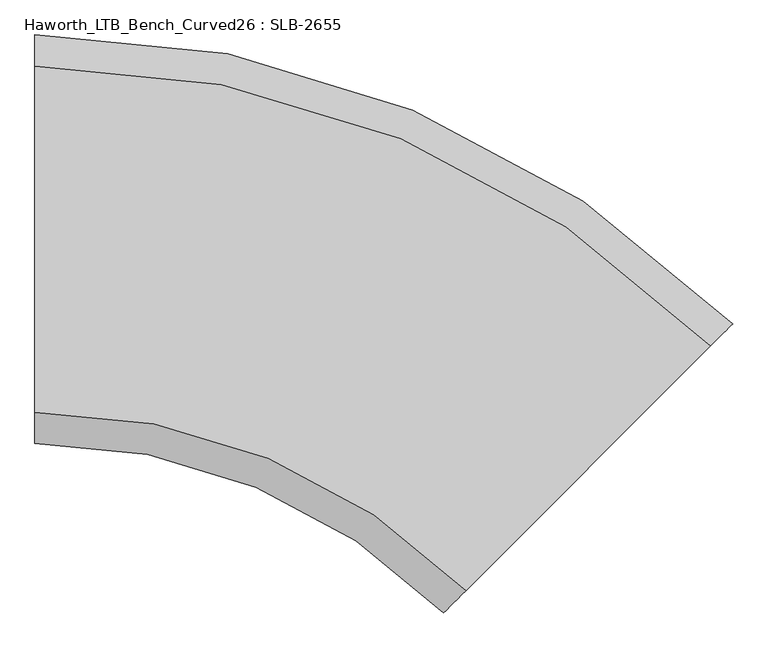
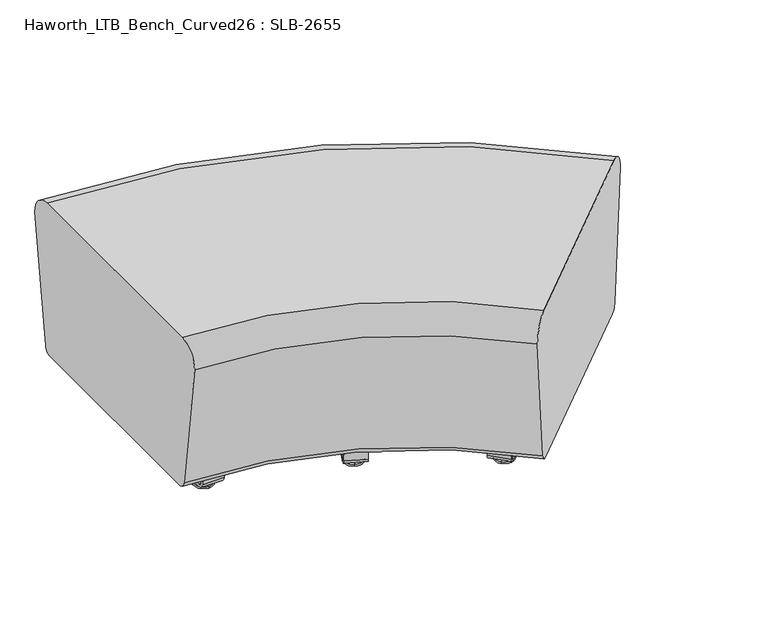
"""IFC4 building model written with IfcOpenShell, lengths in millimetres: furniture geometry, Haworth_LTB_Bench_Curved26 : SLB-2655."""

from ifc_helpers import new_model, si_unit, point, frame, frame_2d, origin, place, context, project, spatial, polyline, circle_curve, ellipse_curve, trimmed, segment, composite_curve, outline, extrude, source, transform, mapped, element, save
from ifc_brep_helpers import plane_surface, cylinder_surface, revolved_surface, advanced_brep


def haworth_ltb_bench_curved26_slb_2655_babb3652(model_context):
    return source(origin(), model_context, "Body", "SolidModel", [
        advanced_brep(
        [(389.9431514, -298.4142763, 7.8133431), (386.2980917, -307.2142289, 7.8133431), (385.0604846, -310.2020767, 7.8133431), (391.1807584, -295.4264285, 7.8133431), (379.7249767, -323.0831321, 4.0775), (396.5162663, -282.5453731, 4.0775), (379.8820879, -322.7038322, 0.0), (396.3591551, -282.924673, 0.0), (388.1206215, -302.8142526, 0.0), (388.1206215, -302.8142526, 50.0000004), (386.2980917, -307.2142289, 50.0000004), (389.9431514, -298.4142763, 50.0000004)],
        [
            (0, 1, circle_curve(frame((388.1206215, -302.8142526, 7.8133431), z_axis=(0.0, 0.0, -1.0), x_axis=(-0.38268343236511054, -0.9238795325112782, 0.0)), 4.7625)),
            (1, 2),
            (2, 3, circle_curve(frame((388.1206215, -302.8142526, 7.8133431), z_axis=(0.0, 0.0, 1.0), x_axis=(-0.38268343236511054, -0.9238795325112782, 0.0)), 7.9965232)),
            (3, 0),
            (1, 0, circle_curve(frame((388.1206215, -302.8142526, 7.8133431), z_axis=(0.0, 0.0, -1.0), x_axis=(-0.38268343236511054, -0.9238795325112782, 0.0)), 4.7625)),
            (3, 2, circle_curve(frame((388.1206215, -302.8142526, 7.8133431), z_axis=(0.0, 0.0, 1.0), x_axis=(-0.38268343236511054, -0.9238795325112782, 0.0)), 7.9965232)),
            (2, 4),
            (4, 5, circle_curve(frame((388.1206215, -302.8142526, 4.0775), z_axis=(0.0, 0.0, 1.0), x_axis=(-0.38268343236511054, -0.9238795325112782, 0.0)), 21.9388771)),
            (5, 3),
            (5, 4, circle_curve(frame((388.1206215, -302.8142526, 4.0775), z_axis=(0.0, 0.0, 1.0), x_axis=(-0.38268343236511054, -0.9238795325112782, 0.0)), 21.9388771)),
            (4, 6, circle_curve(frame((379.9306014, -322.5867102, 2.0721829), z_axis=(0.9238795325112782, -0.38268343236511054, 0.0), x_axis=(0.38268343236511054, 0.9238795325112782, 0.0)), 2.0760571)),
            (6, 7, circle_curve(frame((388.1206215, -302.8142526, 0.0), z_axis=(0.0, 0.0, 1.0), x_axis=(-0.38268343236511054, -0.9238795325112782, 0.0)), 21.5283258)),
            (7, 5, circle_curve(frame((396.3106416, -283.041795, 2.0721829), z_axis=(0.923879532511277, -0.38268343236511354, 0.0), x_axis=(-0.38268343236511354, -0.923879532511277, 0.0)), 2.0760571)),
            (7, 6, circle_curve(frame((388.1206215, -302.8142526, 0.0), z_axis=(0.0, 0.0, 1.0), x_axis=(-0.38268343236511054, -0.9238795325112782, 0.0)), 21.5283258)),
            (6, 8),
            (8, 7),
            (9, 10),
            (10, 11, circle_curve(frame((388.1206215, -302.8142526, 50.0000004), z_axis=(0.0, 0.0, 1.0), x_axis=(-0.38268343236511054, -0.9238795325112782, 0.0)), 4.7625)),
            (11, 9),
            (11, 10, circle_curve(frame((388.1206215, -302.8142526, 50.0000004), z_axis=(0.0, 0.0, 1.0), x_axis=(-0.38268343236511054, -0.9238795325112782, 0.0)), 4.7625)),
            (10, 1),
            (0, 11),
        ],
        [
            plane_surface(frame((388.1206215, -302.8142526, 7.8133431), z_axis=(0.0, 0.0, 1.0), x_axis=(-0.38268343236511054, -0.9238795325112782, 0.0))),
            revolved_surface(polyline([(379.7249767, -323.0831321, 4.0775), (385.0604846, -310.2020767, 7.8133431)]), (388.1206215, -302.8142526, 0.0), (0.0, 0.0, 1.0)),
            revolved_surface(trimmed(ellipse_curve(frame((379.9306014, -322.5867102, 2.0721829), z_axis=(-0.9238795325112782, 0.38268343236511054, 0.0), x_axis=(0.38268343236511054, 0.9238795325112782, 0.0)), 2.0760571, 2.0760571), [point((379.8820879, -322.7038322, 0.0))], [point((379.7249767, -323.0831321, 4.0775))], True, "CARTESIAN"), (388.1206215, -302.8142526, 0.0), (0.0, 0.0, 1.0)),
            plane_surface(frame((388.1206215, -302.8142526, 0.0), z_axis=(0.0, 0.0, -1.0), x_axis=(-0.38268343236511054, -0.9238795325112782, 0.0))),
            plane_surface(frame((388.1206215, -302.8142526, 50.0000004), z_axis=(0.0, 0.0, 1.0), x_axis=(-0.38268343236511054, -0.9238795325112782, 0.0))),
            cylinder_surface(frame((388.1206215, -302.8142526, 0.0), z_axis=(0.0, 0.0, 1.0), x_axis=(-0.38268343236511054, -0.9238795325112782, 0.0)), 4.7625),
        ],
        [
            (0, [[1, 2, 3, 4]]),
            (0, [[5, -4, 6, -2]]),
            (1, [[-3, 7, 8, 9]]),
            (1, [[-6, -9, 10, -7]]),
            (2, [[-8, 11, 12, 13]]),
            (2, [[-10, -13, 14, -11]]),
            (3, [[-12, 15, 16]]),
            (3, [[-14, -16, -15]]),
            (4, [[17, 18, 19]]),
            (4, [[-19, 20, -17]]),
            (5, [[-18, 21, -1, 22]]),
            (5, [[-20, -22, -5, -21]]),
        ],
    ),
        advanced_brep(
        [(552.705699, 94.5292735, 7.8133431), (558.8259728, 109.3049217, 7.8133431), (557.5883658, 106.3170739, 7.8133431), (553.9433061, 97.5171213, 7.8133431), (547.3701911, 81.6482181, 4.0775), (564.1614807, 122.1859771, 4.0775), (547.5273023, 82.027518, 0.0), (564.0043695, 121.8066772, 0.0), (555.7658359, 101.9170976, 0.0), (553.9433061, 97.5171213, 50.0000004), (557.5883658, 106.3170739, 50.0000004), (555.7658359, 101.9170976, 50.0000004)],
        [
            (0, 1, circle_curve(frame((555.7658359, 101.9170976, 7.8133431), z_axis=(0.0, 0.0, 1.0), x_axis=(0.3826834323651135, 0.923879532511277, 0.0)), 7.9965232)),
            (1, 2),
            (2, 3, circle_curve(frame((555.7658359, 101.9170976, 7.8133431), z_axis=(0.0, 0.0, -1.0), x_axis=(0.3826834323651135, 0.923879532511277, 0.0)), 4.7625)),
            (3, 0),
            (1, 0, circle_curve(frame((555.7658359, 101.9170976, 7.8133431), z_axis=(0.0, 0.0, 1.0), x_axis=(0.3826834323651135, 0.923879532511277, 0.0)), 7.9965232)),
            (3, 2, circle_curve(frame((555.7658359, 101.9170976, 7.8133431), z_axis=(0.0, 0.0, -1.0), x_axis=(0.3826834323651135, 0.923879532511277, 0.0)), 4.7625)),
            (4, 5, circle_curve(frame((555.7658359, 101.9170976, 4.0775), z_axis=(0.0, 0.0, 1.0), x_axis=(0.3826834323651135, 0.923879532511277, 0.0)), 21.9388771)),
            (5, 1),
            (0, 4),
            (5, 4, circle_curve(frame((555.7658359, 101.9170976, 4.0775), z_axis=(0.0, 0.0, 1.0), x_axis=(0.3826834323651135, 0.923879532511277, 0.0)), 21.9388771)),
            (6, 7, circle_curve(frame((555.7658359, 101.9170976, 0.0), z_axis=(0.0, 0.0, 1.0), x_axis=(0.3826834323651135, 0.923879532511277, 0.0)), 21.5283258)),
            (7, 5, circle_curve(frame((563.955856, 121.6895552, 2.0721829), z_axis=(0.923879532511277, -0.3826834323651135, 0.0), x_axis=(-0.3826834323651135, -0.923879532511277, 0.0)), 2.0760571)),
            (4, 6, circle_curve(frame((547.5758158, 82.14464, 2.0721829), z_axis=(0.9238795325112782, -0.3826834323651105, 0.0), x_axis=(0.3826834323651105, 0.9238795325112782, 0.0)), 2.0760571)),
            (7, 6, circle_curve(frame((555.7658359, 101.9170976, 0.0), z_axis=(0.0, 0.0, 1.0), x_axis=(0.3826834323651135, 0.923879532511277, 0.0)), 21.5283258)),
            (8, 7),
            (6, 8),
            (9, 10, circle_curve(frame((555.7658359, 101.9170976, 50.0000004), z_axis=(0.0, 0.0, 1.0), x_axis=(0.3826834323651135, 0.923879532511277, 0.0)), 4.7625)),
            (10, 11),
            (11, 9),
            (10, 9, circle_curve(frame((555.7658359, 101.9170976, 50.0000004), z_axis=(0.0, 0.0, 1.0), x_axis=(0.3826834323651135, 0.923879532511277, 0.0)), 4.7625)),
            (2, 10),
            (9, 3),
        ],
        [
            plane_surface(frame((555.7658359, 101.9170976, 7.8133431), z_axis=(0.0, 0.0, 1.0), x_axis=(0.3826834323651135, 0.923879532511277, 0.0))),
            revolved_surface(polyline([(558.8259728, 109.3049217, 7.8133431), (564.1614807, 122.1859771, 4.0775)]), (555.7658359, 101.9170976, 0.0), (0.0, 0.0, -1.0)),
            revolved_surface(trimmed(ellipse_curve(frame((563.955856, 121.6895552, 2.0721829), z_axis=(-0.923879532511277, 0.3826834323651135, 0.0), x_axis=(-0.3826834323651135, -0.923879532511277, 0.0)), 2.0760571, 2.0760571), [point((564.1614807, 122.1859771, 4.0775))], [point((564.0043695, 121.8066772, 0.0))], True, "CARTESIAN"), (555.7658359, 101.9170976, 0.0), (0.0, 0.0, -1.0)),
            plane_surface(frame((555.7658359, 101.9170976, 0.0), z_axis=(0.0, 0.0, -1.0), x_axis=(0.3826834323651135, 0.923879532511277, 0.0))),
            plane_surface(frame((555.7658359, 101.9170976, 50.0000004), z_axis=(0.0, 0.0, 1.0), x_axis=(0.3826834323651135, 0.923879532511277, 0.0))),
            cylinder_surface(frame((555.7658359, 101.9170976, 0.0), z_axis=(0.0, 0.0, -1.0), x_axis=(0.3826834323651135, 0.923879532511277, 0.0)), 4.7625),
        ],
        [
            (0, [[1, 2, 3, 4]]),
            (0, [[5, -4, 6, -2]]),
            (1, [[7, 8, -1, 9]]),
            (1, [[10, -9, -5, -8]]),
            (2, [[11, 12, -7, 13]]),
            (2, [[14, -13, -10, -12]]),
            (3, [[15, -11, 16]]),
            (3, [[-16, -14, -15]]),
            (4, [[17, 18, 19]]),
            (4, [[20, -19, -18]]),
            (5, [[-3, 21, -17, 22]]),
            (5, [[-6, -22, -20, -21]]),
        ],
    ),
        extrude(outline(composite_curve([segment(polyline([(0.0, 0.0), (-1.1e-06, -5.6900075), (-35.4274256, -5.6900007)]), True, "CONTINUOUS"), segment(trimmed(circle_curve(frame_2d((-35.4274274, -15.0000027)), 9.310002), [point((-35.4274256, -5.6900007))], [point((-44.6468251, -13.7043009))], True, "CARTESIAN"), True, "CONTINUOUS"), segment(polyline([(-44.6468251, -13.7043009), (-112.8503597, -498.9976979)]), True, "CONTINUOUS"), segment(trimmed(circle_curve(frame_2d((-103.6309619, -500.2933996)), 9.310002), [point((-112.8503597, -498.9976979))], [point((-106.1971444, -509.2427485))], True, "CARTESIAN"), True, "CONTINUOUS"), segment(polyline([(-106.1971444, -509.2427485), (-72.1421162, -519.0078628), (-73.7104936, -524.4774494), (-107.7655241, -514.7123273)]), True, "CONTINUOUS"), segment(trimmed(circle_curve(frame_2d((-103.6309637, -500.2934007)), 15.000001), [point((-107.7655241, -514.7123273))], [point((-118.4849857, -498.2058042))], False, "CARTESIAN"), True, "CONTINUOUS"), segment(polyline([(-118.4849857, -498.2058042), (-50.2814508, -12.9124045)]), True, "CONTINUOUS"), segment(trimmed(circle_curve(frame_2d((-35.4274288, -15.0000011)), 15.000001), [point((-50.2814508, -12.9124045))], [point((-35.4274288, 0.0))], False, "CARTESIAN"), True, "CONTINUOUS"), segment(polyline([(-35.4274288, 0.0), (0.0, 0.0)]), True, "CONTINUOUS")], self_intersect=False)), frame((596.7504243, 134.4892481, 62.9950557), z_axis=(-0.9238795325112771, 0.38268343236511354, 0.0), x_axis=(0.053259236495432585, 0.12857917106890013, 0.9902680700169819)), (0.0, 0.0, 1.0), 50.8),
        advanced_brep(
        [(662.5433137, -445.7133567, 7.8133431), (655.8081216, -452.4485488, 7.8133431), (653.5213219, -454.7353485, 7.8133431), (664.8301134, -443.426557, 7.8133431), (643.6625889, -464.5940815, 4.0775), (674.6888464, -433.567824, 4.0775), (643.9528925, -464.3037779, 0.0), (674.3985428, -433.8581276, 0.0), (659.1757176, -449.0809528, 0.0), (659.1757176, -449.0809528, 50.0000004), (655.8081216, -452.4485488, 50.0000004), (662.5433137, -445.7133567, 50.0000004)],
        [
            (0, 1, circle_curve(frame((659.1757176, -449.0809528, 7.8133431), z_axis=(0.0, 0.0, -1.0), x_axis=(-0.7071067811865458, -0.7071067811865493, 0.0)), 4.7625)),
            (1, 2),
            (2, 3, circle_curve(frame((659.1757176, -449.0809528, 7.8133431), z_axis=(0.0, 0.0, 1.0), x_axis=(-0.7071067811865458, -0.7071067811865493, 0.0)), 7.9965232)),
            (3, 0),
            (1, 0, circle_curve(frame((659.1757176, -449.0809528, 7.8133431), z_axis=(0.0, 0.0, -1.0), x_axis=(-0.7071067811865458, -0.7071067811865493, 0.0)), 4.7625)),
            (3, 2, circle_curve(frame((659.1757176, -449.0809528, 7.8133431), z_axis=(0.0, 0.0, 1.0), x_axis=(-0.7071067811865458, -0.7071067811865493, 0.0)), 7.9965232)),
            (2, 4),
            (4, 5, circle_curve(frame((659.1757176, -449.0809528, 4.0775), z_axis=(0.0, 0.0, 1.0), x_axis=(-0.7071067811865458, -0.7071067811865493, 0.0)), 21.9388771)),
            (5, 3),
            (5, 4, circle_curve(frame((659.1757176, -449.0809528, 4.0775), z_axis=(0.0, 0.0, 1.0), x_axis=(-0.7071067811865458, -0.7071067811865493, 0.0)), 21.9388771)),
            (4, 6, circle_curve(frame((644.0425338, -464.2141367, 2.0721829), z_axis=(0.7071067811865493, -0.7071067811865458, 0.0), x_axis=(0.7071067811865458, 0.7071067811865493, 0.0)), 2.0760571)),
            (6, 7, circle_curve(frame((659.1757176, -449.0809528, 0.0), z_axis=(0.0, 0.0, 1.0), x_axis=(-0.7071067811865458, -0.7071067811865493, 0.0)), 21.5283258)),
            (7, 5, circle_curve(frame((674.3089015, -433.9477689, 2.0721829), z_axis=(0.707106781186547, -0.7071067811865481, 0.0), x_axis=(-0.7071067811865481, -0.707106781186547, 0.0)), 2.0760571)),
            (7, 6, circle_curve(frame((659.1757176, -449.0809528, 0.0), z_axis=(0.0, 0.0, 1.0), x_axis=(-0.7071067811865458, -0.7071067811865493, 0.0)), 21.5283258)),
            (6, 8),
            (8, 7),
            (9, 10),
            (10, 11, circle_curve(frame((659.1757176, -449.0809528, 50.0000004), z_axis=(0.0, 0.0, 1.0), x_axis=(-0.7071067811865458, -0.7071067811865493, 0.0)), 4.7625)),
            (11, 9),
            (11, 10, circle_curve(frame((659.1757176, -449.0809528, 50.0000004), z_axis=(0.0, 0.0, 1.0), x_axis=(-0.7071067811865458, -0.7071067811865493, 0.0)), 4.7625)),
            (10, 1),
            (0, 11),
        ],
        [
            plane_surface(frame((659.1757176, -449.0809528, 7.8133431), z_axis=(0.0, 0.0, 1.0), x_axis=(-0.7071067811865458, -0.7071067811865493, 0.0))),
            revolved_surface(polyline([(643.6625889, -464.5940815, 4.0775), (653.5213219, -454.7353485, 7.8133431)]), (659.1757176, -449.0809528, 0.0), (0.0, 0.0, 1.0)),
            revolved_surface(trimmed(ellipse_curve(frame((644.0425338, -464.2141367, 2.0721829), z_axis=(-0.7071067811865493, 0.7071067811865458, 0.0), x_axis=(0.7071067811865458, 0.7071067811865493, 0.0)), 2.0760571, 2.0760571), [point((643.9528925, -464.3037779, 0.0))], [point((643.6625889, -464.5940815, 4.0775))], True, "CARTESIAN"), (659.1757176, -449.0809528, 0.0), (0.0, 0.0, 1.0)),
            plane_surface(frame((659.1757176, -449.0809528, 0.0), z_axis=(0.0, 0.0, -1.0), x_axis=(-0.7071067811865458, -0.7071067811865493, 0.0))),
            plane_surface(frame((659.1757176, -449.0809528, 50.0000004), z_axis=(0.0, 0.0, 1.0), x_axis=(-0.7071067811865458, -0.7071067811865493, 0.0))),
            cylinder_surface(frame((659.1757176, -449.0809528, 0.0), z_axis=(0.0, 0.0, 1.0), x_axis=(-0.7071067811865458, -0.7071067811865493, 0.0)), 4.7625),
        ],
        [
            (0, [[1, 2, 3, 4]]),
            (0, [[5, -4, 6, -2]]),
            (1, [[-3, 7, 8, 9]]),
            (1, [[-6, -9, 10, -7]]),
            (2, [[-8, 11, 12, 13]]),
            (2, [[-10, -13, 14, -11]]),
            (3, [[-12, 15, 16]]),
            (3, [[-14, -16, -15]]),
            (4, [[17, 18, 19]]),
            (4, [[-19, 20, -17]]),
            (5, [[-18, 21, -1, 22]]),
            (5, [[-20, -22, -5, -21]]),
        ],
    ),
        advanced_brep(
        [(963.2892865, -144.9673839, 7.8133431), (974.598078, -133.6585924, 7.8133431), (972.3112783, -135.9453921, 7.8133431), (965.5760862, -142.6805842, 7.8133431), (953.4305535, -154.8261169, 4.0775), (984.456811, -123.7998594, 4.0775), (953.7208571, -154.5358134, 0.0), (984.1665074, -124.090163, 0.0), (968.9436822, -139.3129882, 0.0), (965.5760862, -142.6805842, 50.0000004), (972.3112783, -135.9453921, 50.0000004), (968.9436822, -139.3129882, 50.0000004)],
        [
            (0, 1, circle_curve(frame((968.9436822, -139.3129882, 7.8133431), z_axis=(0.0, 0.0, 1.0), x_axis=(0.707106781186548, 0.7071067811865471, 0.0)), 7.9965232)),
            (1, 2),
            (2, 3, circle_curve(frame((968.9436822, -139.3129882, 7.8133431), z_axis=(0.0, 0.0, -1.0), x_axis=(0.707106781186548, 0.7071067811865471, 0.0)), 4.7625)),
            (3, 0),
            (1, 0, circle_curve(frame((968.9436822, -139.3129882, 7.8133431), z_axis=(0.0, 0.0, 1.0), x_axis=(0.707106781186548, 0.7071067811865471, 0.0)), 7.9965232)),
            (3, 2, circle_curve(frame((968.9436822, -139.3129882, 7.8133431), z_axis=(0.0, 0.0, -1.0), x_axis=(0.707106781186548, 0.7071067811865471, 0.0)), 4.7625)),
            (4, 5, circle_curve(frame((968.9436822, -139.3129882, 4.0775), z_axis=(0.0, 0.0, 1.0), x_axis=(0.707106781186548, 0.7071067811865471, 0.0)), 21.9388771)),
            (5, 1),
            (0, 4),
            (5, 4, circle_curve(frame((968.9436822, -139.3129882, 4.0775), z_axis=(0.0, 0.0, 1.0), x_axis=(0.707106781186548, 0.7071067811865471, 0.0)), 21.9388771)),
            (6, 7, circle_curve(frame((968.9436822, -139.3129882, 0.0), z_axis=(0.0, 0.0, 1.0), x_axis=(0.707106781186548, 0.7071067811865471, 0.0)), 21.5283258)),
            (7, 5, circle_curve(frame((984.0768661, -124.1798043, 2.0721829), z_axis=(0.7071067811865471, -0.707106781186548, 0.0), x_axis=(-0.707106781186548, -0.7071067811865471, 0.0)), 2.0760571)),
            (4, 6, circle_curve(frame((953.8104984, -154.4461721, 2.0721829), z_axis=(0.7071067811865495, -0.7071067811865457, 0.0), x_axis=(0.7071067811865457, 0.7071067811865495, 0.0)), 2.0760571)),
            (7, 6, circle_curve(frame((968.9436822, -139.3129882, 0.0), z_axis=(0.0, 0.0, 1.0), x_axis=(0.707106781186548, 0.7071067811865471, 0.0)), 21.5283258)),
            (8, 7),
            (6, 8),
            (9, 10, circle_curve(frame((968.9436822, -139.3129882, 50.0000004), z_axis=(0.0, 0.0, 1.0), x_axis=(0.707106781186548, 0.7071067811865471, 0.0)), 4.7625)),
            (10, 11),
            (11, 9),
            (10, 9, circle_curve(frame((968.9436822, -139.3129882, 50.0000004), z_axis=(0.0, 0.0, 1.0), x_axis=(0.707106781186548, 0.7071067811865471, 0.0)), 4.7625)),
            (2, 10),
            (9, 3),
        ],
        [
            plane_surface(frame((968.9436822, -139.3129882, 7.8133431), z_axis=(0.0, 0.0, 1.0), x_axis=(0.707106781186548, 0.7071067811865471, 0.0))),
            revolved_surface(polyline([(974.598078, -133.6585924, 7.8133431), (984.456811, -123.7998594, 4.0775)]), (968.9436822, -139.3129882, 0.0), (0.0, 0.0, -1.0)),
            revolved_surface(trimmed(ellipse_curve(frame((984.0768661, -124.1798043, 2.0721829), z_axis=(-0.7071067811865471, 0.707106781186548, 0.0), x_axis=(-0.707106781186548, -0.7071067811865471, 0.0)), 2.0760571, 2.0760571), [point((984.456811, -123.7998594, 4.0775))], [point((984.1665074, -124.090163, 0.0))], True, "CARTESIAN"), (968.9436822, -139.3129882, 0.0), (0.0, 0.0, -1.0)),
            plane_surface(frame((968.9436822, -139.3129882, 0.0), z_axis=(0.0, 0.0, -1.0), x_axis=(0.707106781186548, 0.7071067811865471, 0.0))),
            plane_surface(frame((968.9436822, -139.3129882, 50.0000004), z_axis=(0.0, 0.0, 1.0), x_axis=(0.707106781186548, 0.7071067811865471, 0.0))),
            cylinder_surface(frame((968.9436822, -139.3129882, 0.0), z_axis=(0.0, 0.0, -1.0), x_axis=(0.707106781186548, 0.7071067811865471, 0.0)), 4.7625),
        ],
        [
            (0, [[1, 2, 3, 4]]),
            (0, [[5, -4, 6, -2]]),
            (1, [[7, 8, -1, 9]]),
            (1, [[10, -9, -5, -8]]),
            (2, [[11, 12, -7, 13]]),
            (2, [[14, -13, -10, -12]]),
            (3, [[15, -11, 16]]),
            (3, [[-16, -14, -15]]),
            (4, [[17, 18, 19]]),
            (4, [[20, -19, -18]]),
            (5, [[-3, 21, -17, 22]]),
            (5, [[-6, -22, -20, -21]]),
        ],
    ),
        extrude(outline(composite_curve([segment(polyline([(0.0, 0.0), (-1.1e-06, -5.6900074), (-35.4274256, -5.6900007)]), True, "CONTINUOUS"), segment(trimmed(circle_curve(frame_2d((-35.4274274, -15.0000027)), 9.310002), [point((-35.4274256, -5.6900007))], [point((-44.6468251, -13.7043009))], True, "CARTESIAN"), True, "CONTINUOUS"), segment(polyline([(-44.6468251, -13.7043009), (-112.8503597, -498.9976978)]), True, "CONTINUOUS"), segment(trimmed(circle_curve(frame_2d((-103.6309619, -500.2933996)), 9.310002), [point((-112.8503597, -498.9976978))], [point((-106.1971444, -509.2427484))], True, "CARTESIAN"), True, "CONTINUOUS"), segment(polyline([(-106.1971444, -509.2427484), (-72.1421162, -519.0078628), (-73.7104936, -524.4774494), (-107.765524, -514.7123272)]), True, "CONTINUOUS"), segment(trimmed(circle_curve(frame_2d((-103.6309637, -500.2934006)), 15.000001), [point((-107.765524, -514.7123272))], [point((-118.4849857, -498.2058041))], False, "CARTESIAN"), True, "CONTINUOUS"), segment(polyline([(-118.4849857, -498.2058041), (-50.2814508, -12.9124045)]), True, "CONTINUOUS"), segment(trimmed(circle_curve(frame_2d((-35.4274288, -15.000001)), 15.000001), [point((-50.2814508, -12.9124045))], [point((-35.4274288, -1e-07))], False, "CARTESIAN"), True, "CONTINUOUS"), segment(polyline([(-35.4274288, -1e-07), (0.0, 0.0)]), True, "CONTINUOUS")], self_intersect=False)), frame((1019.2733269, -124.904368, 62.9950557), z_axis=(-0.7071067811865471, 0.707106781186548, 0.0), x_axis=(0.09841023703061023, 0.09841023703061011, 0.9902680700169819)), (0.0, 0.0, 1.0), 50.8),
        advanced_brep(
        [(0.0, -326.1820603, 374.65), (0.0, -276.2364582, 425.0000032), (0.0, 276.2364582, 425.0000032), (0.0, 326.1820603, 374.65), (0.0, 282.8601731, 66.3987528), (0.0, 263.9955663, 50.0000004), (0.0, -263.9955663, 50.0000004), (0.0, -282.8601731, 66.3987528), (652.4485474, -596.4350974, 374.65), (683.0817477, -565.8018972, 66.3987528), (696.421039, -552.4626058, 50.0000004), (1069.7671494, -179.1164955, 50.0000004), (1083.1064407, -165.7772042, 66.3987528), (1113.7396409, -135.1440039, 374.65), (1078.422767, -170.4608778, 425.0000032), (687.7654214, -561.1182235, 425.0000032)],
        [
            (0, 1, circle_curve(frame((0.0, -276.2364582, 375.0527771), z_axis=(-1.0, 0.0, 0.0), x_axis=(0.0, -1.0, 0.0)), 49.9472261)),
            (1, 2),
            (2, 3, circle_curve(frame((0.0, 276.2364582, 375.0527771), z_axis=(-1.0, 0.0, 0.0), x_axis=(0.0, -1.0, 0.0)), 49.9472261)),
            (3, 4),
            (4, 5, circle_curve(frame((0.0, 263.9955663, 69.0500004), z_axis=(-1.0, 0.0, 0.0), x_axis=(0.0, -1.0, 0.0)), 19.05)),
            (5, 6),
            (6, 7, circle_curve(frame((0.0, -263.9955663, 69.0500004), z_axis=(-1.0, 0.0, 0.0), x_axis=(0.0, -1.0, 0.0)), 19.05)),
            (7, 0),
            (8, 9),
            (9, 10, circle_curve(frame((696.421039, -552.4626058, 69.0500004), z_axis=(0.707106781186547, -0.707106781186548, 0.0), x_axis=(-0.707106781186548, -0.707106781186547, 0.0)), 19.05)),
            (10, 11),
            (11, 12, circle_curve(frame((1069.7671494, -179.1164955, 69.0500004), z_axis=(0.707106781186547, -0.707106781186548, 0.0), x_axis=(-0.707106781186548, -0.707106781186547, 0.0)), 19.05)),
            (12, 13),
            (13, 14, circle_curve(frame((1078.422767, -170.4608778, 375.0527771), z_axis=(0.707106781186547, -0.707106781186548, 0.0), x_axis=(-0.707106781186548, -0.707106781186547, 0.0)), 49.9472261)),
            (14, 15),
            (15, 8, circle_curve(frame((687.7654214, -561.1182235, 375.0527771), z_axis=(0.707106781186547, -0.707106781186548, 0.0), x_axis=(-0.707106781186548, -0.707106781186547, 0.0)), 49.9472261)),
            (12, 4, circle_curve(frame((0.0, -1248.8836449, 66.3987528), z_axis=(0.0, 0.0, 1.0), x_axis=(0.0, 1.0, 0.0)), 1531.7438179)),
            (3, 13, circle_curve(frame((0.0, -1248.8836449, 374.65), z_axis=(0.0, 0.0, -1.0), x_axis=(0.0, 1.0, 0.0)), 1575.0657052)),
            (11, 5, circle_curve(frame((0.0, -1248.8836449, 50.0000004), z_axis=(0.0, 0.0, 1.0), x_axis=(0.0, 1.0, 0.0)), 1512.8792112)),
            (10, 6, circle_curve(frame((0.0, -1248.8836449, 50.0000004), z_axis=(0.0, 0.0, 1.0), x_axis=(0.0, 1.0, 0.0)), 984.8880785)),
            (9, 7, circle_curve(frame((0.0, -1248.8836449, 66.3987528), z_axis=(0.0, 0.0, 1.0), x_axis=(0.0, 1.0, 0.0)), 966.0234718)),
            (8, 0, circle_curve(frame((0.0, -1248.8836449, 374.65), z_axis=(0.0, 0.0, 1.0), x_axis=(0.0, 1.0, 0.0)), 922.7015845)),
            (15, 1, circle_curve(frame((0.0, -1248.8836449, 425.0000032), z_axis=(0.0, 0.0, 1.0), x_axis=(0.0, 1.0, 0.0)), 972.6471866)),
            (14, 2, circle_curve(frame((0.0, -1248.8836449, 425.0000032), z_axis=(0.0, 0.0, 1.0), x_axis=(0.0, 1.0, 0.0)), 1525.1201031)),
        ],
        [
            plane_surface(frame((0.0, -1248.8836449, 50.0000004), z_axis=(-1.0, 0.0, 0.0), x_axis=(0.0, 1.0, 0.0))),
            plane_surface(frame((0.0, -1248.8836449, 50.0000004), z_axis=(0.707106781186547, -0.707106781186548, 0.0), x_axis=(0.707106781186548, 0.707106781186547, 0.0))),
            revolved_surface(polyline([(0.0, 326.1820603, 374.65), (0.0, 282.8601731, 66.3987528)]), (0.0, -1248.8836449, 50.0000004), (0.0, 0.0, -1.0)),
            revolved_surface(trimmed(ellipse_curve(frame((0.0, 263.9955663, 69.0500004), z_axis=(-1.0, 0.0, 0.0), x_axis=(0.0, -1.0, 0.0)), 19.05, 19.05), [point((0.0, 282.8601731, 66.3987528))], [point((0.0, 263.9955663, 50.0000004))], True, "CARTESIAN"), (0.0, -1248.8836449, 50.0000004), (0.0, 0.0, -1.0)),
            plane_surface(frame((0.0, -1248.8836449, 50.0000004), z_axis=(0.0, 0.0, -1.0), x_axis=(0.0, 1.0, 0.0))),
            revolved_surface(trimmed(ellipse_curve(frame((0.0, -263.9955663, 69.0500004), z_axis=(-1.0, 0.0, 0.0), x_axis=(0.0, -1.0, 0.0)), 19.05, 19.05), [point((0.0, -263.9955663, 50.0000004))], [point((0.0, -282.8601731, 66.3987528))], True, "CARTESIAN"), (0.0, -1248.8836449, 50.0000004), (0.0, 0.0, -1.0)),
            revolved_surface(polyline([(0.0, -282.8601731, 66.3987528), (0.0, -326.1820603, 374.65)]), (0.0, -1248.8836449, 50.0000004), (0.0, 0.0, -1.0)),
            revolved_surface(trimmed(ellipse_curve(frame((0.0, -276.2364582, 375.0527771), z_axis=(-1.0, 0.0, 0.0), x_axis=(0.0, -1.0, 0.0)), 49.9472261, 49.9472261), [point((0.0, -326.1820603, 374.65))], [point((0.0, -276.2364582, 425.0000032))], True, "CARTESIAN"), (0.0, -1248.8836449, 50.0000004), (0.0, 0.0, -1.0)),
            plane_surface(frame((0.0, -1248.8836449, 425.0000032), z_axis=(0.0, 0.0, 1.0), x_axis=(0.0, 1.0, 0.0))),
            revolved_surface(trimmed(ellipse_curve(frame((0.0, 276.2364582, 375.0527771), z_axis=(-1.0, 0.0, 0.0), x_axis=(0.0, -1.0, 0.0)), 49.9472261, 49.9472261), [point((0.0, 276.2364582, 425.0000032))], [point((0.0, 326.1820603, 374.65))], True, "CARTESIAN"), (0.0, -1248.8836449, 50.0000004), (0.0, 0.0, -1.0)),
        ],
        [
            (0, [[1, 2, 3, 4, 5, 6, 7, 8]]),
            (1, [[9, 10, 11, 12, 13, 14, 15, 16]]),
            (2, [[17, -4, 18, -13]]),
            (3, [[19, -5, -17, -12]]),
            (4, [[20, -6, -19, -11]]),
            (5, [[21, -7, -20, -10]]),
            (6, [[22, -8, -21, -9]]),
            (7, [[23, -1, -22, -16]]),
            (8, [[24, -2, -23, -15]]),
            (9, [[-18, -3, -24, -14]]),
        ],
    ),
        advanced_brep(
        [(82.4954642, -214.2765284, 7.8133431), (82.4954642, -223.8015284, 7.8133431), (82.4954642, -227.0355515, 7.8133431), (82.4954642, -211.0425052, 7.8133431), (82.4954642, -240.9779054, 4.0775), (82.4954642, -197.1001513, 4.0775), (82.4954642, -240.5673542, 0.0), (82.4954642, -197.5107026, 0.0), (82.4954642, -219.0390284, 0.0), (82.4954642, -219.0390284, 50.0000004), (82.4954642, -223.8015284, 50.0000004), (82.4954642, -214.2765284, 50.0000004)],
        [
            (0, 1, circle_curve(frame((82.4954642, -219.0390284, 7.8133431), z_axis=(0.0, 0.0, -1.0), x_axis=(0.0, -1.0, 0.0)), 4.7625)),
            (1, 2),
            (2, 3, circle_curve(frame((82.4954642, -219.0390284, 7.8133431), z_axis=(0.0, 0.0, 1.0), x_axis=(0.0, -1.0, 0.0)), 7.9965232)),
            (3, 0),
            (1, 0, circle_curve(frame((82.4954642, -219.0390284, 7.8133431), z_axis=(0.0, 0.0, -1.0), x_axis=(0.0, -1.0, 0.0)), 4.7625)),
            (3, 2, circle_curve(frame((82.4954642, -219.0390284, 7.8133431), z_axis=(0.0, 0.0, 1.0), x_axis=(0.0, -1.0, 0.0)), 7.9965232)),
            (2, 4),
            (4, 5, circle_curve(frame((82.4954642, -219.0390284, 4.0775), z_axis=(0.0, 0.0, 1.0), x_axis=(0.0, -1.0, 0.0)), 21.9388771)),
            (5, 3),
            (5, 4, circle_curve(frame((82.4954642, -219.0390284, 4.0775), z_axis=(0.0, 0.0, 1.0), x_axis=(0.0, -1.0, 0.0)), 21.9388771)),
            (4, 6, circle_curve(frame((82.4954642, -240.4405822, 2.0721829), z_axis=(1.0, 0.0, 0.0), x_axis=(0.0, 1.0, 0.0)), 2.0760571)),
            (6, 7, circle_curve(frame((82.4954642, -219.0390284, 0.0), z_axis=(0.0, 0.0, 1.0), x_axis=(0.0, -1.0, 0.0)), 21.5283258)),
            (7, 5, circle_curve(frame((82.4954642, -197.6374745, 2.0721829), z_axis=(1.0, 0.0, 0.0), x_axis=(0.0, -1.0, 0.0)), 2.0760571)),
            (7, 6, circle_curve(frame((82.4954642, -219.0390284, 0.0), z_axis=(0.0, 0.0, 1.0), x_axis=(0.0, -1.0, 0.0)), 21.5283258)),
            (6, 8),
            (8, 7),
            (9, 10),
            (10, 11, circle_curve(frame((82.4954642, -219.0390284, 50.0000004), z_axis=(0.0, 0.0, 1.0), x_axis=(0.0, -1.0, 0.0)), 4.7625)),
            (11, 9),
            (11, 10, circle_curve(frame((82.4954642, -219.0390284, 50.0000004), z_axis=(0.0, 0.0, 1.0), x_axis=(0.0, -1.0, 0.0)), 4.7625)),
            (10, 1),
            (0, 11),
        ],
        [
            plane_surface(frame((82.4954642, -219.0390284, 7.8133431), z_axis=(0.0, 0.0, 1.0), x_axis=(0.0, -1.0, 0.0))),
            revolved_surface(polyline([(82.4954642, -240.9779054, 4.0775), (82.4954642, -227.0355515, 7.8133431)]), (82.4954642, -219.0390284, 0.0), (0.0, 0.0, 1.0)),
            revolved_surface(trimmed(ellipse_curve(frame((82.4954642, -240.4405822, 2.0721829), z_axis=(-1.0, 0.0, 0.0), x_axis=(0.0, 1.0, 0.0)), 2.0760571, 2.0760571), [point((82.4954642, -240.5673542, 0.0))], [point((82.4954642, -240.9779054, 4.0775))], True, "CARTESIAN"), (82.4954642, -219.0390284, 0.0), (0.0, 0.0, 1.0)),
            plane_surface(frame((82.4954642, -219.0390284, 0.0), z_axis=(0.0, 0.0, -1.0), x_axis=(0.0, -1.0, 0.0))),
            plane_surface(frame((82.4954642, -219.0390284, 50.0000004), z_axis=(0.0, 0.0, 1.0), x_axis=(0.0, -1.0, 0.0))),
            cylinder_surface(frame((82.4954642, -219.0390284, 0.0), z_axis=(0.0, 0.0, 1.0), x_axis=(0.0, -1.0, 0.0)), 4.7625),
        ],
        [
            (0, [[1, 2, 3, 4]]),
            (0, [[5, -4, 6, -2]]),
            (1, [[-3, 7, 8, 9]]),
            (1, [[-6, -9, 10, -7]]),
            (2, [[-8, 11, 12, 13]]),
            (2, [[-10, -13, 14, -11]]),
            (3, [[-12, 15, 16]]),
            (3, [[-14, -16, -15]]),
            (4, [[17, 18, 19]]),
            (4, [[-19, 20, -17]]),
            (5, [[-18, 21, -1, 22]]),
            (5, [[-20, -22, -5, -21]]),
        ],
    ),
        advanced_brep(
        [(82.4954642, 211.0425052, 7.8133431), (82.4954642, 227.0355515, 7.8133431), (82.4954642, 223.8015284, 7.8133431), (82.4954642, 214.2765284, 7.8133431), (82.4954642, 197.1001513, 4.0775), (82.4954642, 240.9779054, 4.0775), (82.4954642, 197.5107026, 0.0), (82.4954642, 240.5673542, 0.0), (82.4954642, 219.0390284, 0.0), (82.4954642, 214.2765284, 50.0000004), (82.4954642, 223.8015284, 50.0000004), (82.4954642, 219.0390284, 50.0000004)],
        [
            (0, 1, circle_curve(frame((82.4954642, 219.0390284, 7.8133431), z_axis=(0.0, 0.0, 1.0), x_axis=(0.0, 1.0, 0.0)), 7.9965232)),
            (1, 2),
            (2, 3, circle_curve(frame((82.4954642, 219.0390284, 7.8133431), z_axis=(0.0, 0.0, -1.0), x_axis=(0.0, 1.0, 0.0)), 4.7625)),
            (3, 0),
            (1, 0, circle_curve(frame((82.4954642, 219.0390284, 7.8133431), z_axis=(0.0, 0.0, 1.0), x_axis=(0.0, 1.0, 0.0)), 7.9965232)),
            (3, 2, circle_curve(frame((82.4954642, 219.0390284, 7.8133431), z_axis=(0.0, 0.0, -1.0), x_axis=(0.0, 1.0, 0.0)), 4.7625)),
            (4, 5, circle_curve(frame((82.4954642, 219.0390284, 4.0775), z_axis=(0.0, 0.0, 1.0), x_axis=(0.0, 1.0, 0.0)), 21.9388771)),
            (5, 1),
            (0, 4),
            (5, 4, circle_curve(frame((82.4954642, 219.0390284, 4.0775), z_axis=(0.0, 0.0, 1.0), x_axis=(0.0, 1.0, 0.0)), 21.9388771)),
            (6, 7, circle_curve(frame((82.4954642, 219.0390284, 0.0), z_axis=(0.0, 0.0, 1.0), x_axis=(0.0, 1.0, 0.0)), 21.5283258)),
            (7, 5, circle_curve(frame((82.4954642, 240.4405822, 2.0721829), z_axis=(1.0, 0.0, 0.0), x_axis=(0.0, -1.0, 0.0)), 2.0760571)),
            (4, 6, circle_curve(frame((82.4954642, 197.6374745, 2.0721829), z_axis=(1.0, 0.0, 0.0), x_axis=(0.0, 1.0, 0.0)), 2.0760571)),
            (7, 6, circle_curve(frame((82.4954642, 219.0390284, 0.0), z_axis=(0.0, 0.0, 1.0), x_axis=(0.0, 1.0, 0.0)), 21.5283258)),
            (8, 7),
            (6, 8),
            (9, 10, circle_curve(frame((82.4954642, 219.0390284, 50.0000004), z_axis=(0.0, 0.0, 1.0), x_axis=(0.0, 1.0, 0.0)), 4.7625)),
            (10, 11),
            (11, 9),
            (10, 9, circle_curve(frame((82.4954642, 219.0390284, 50.0000004), z_axis=(0.0, 0.0, 1.0), x_axis=(0.0, 1.0, 0.0)), 4.7625)),
            (2, 10),
            (9, 3),
        ],
        [
            plane_surface(frame((82.4954642, 219.0390284, 7.8133431), z_axis=(0.0, 0.0, 1.0), x_axis=(0.0, 1.0, 0.0))),
            revolved_surface(polyline([(82.4954642, 227.0355515, 7.8133431), (82.4954642, 240.9779054, 4.0775)]), (82.4954642, 219.0390284, 0.0), (0.0, 0.0, -1.0)),
            revolved_surface(trimmed(ellipse_curve(frame((82.4954642, 240.4405822, 2.0721829), z_axis=(-1.0, 0.0, 0.0), x_axis=(0.0, -1.0, 0.0)), 2.0760571, 2.0760571), [point((82.4954642, 240.9779054, 4.0775))], [point((82.4954642, 240.5673542, 0.0))], True, "CARTESIAN"), (82.4954642, 219.0390284, 0.0), (0.0, 0.0, -1.0)),
            plane_surface(frame((82.4954642, 219.0390284, 0.0), z_axis=(0.0, 0.0, -1.0), x_axis=(0.0, 1.0, 0.0))),
            plane_surface(frame((82.4954642, 219.0390284, 50.0000004), z_axis=(0.0, 0.0, 1.0), x_axis=(0.0, 1.0, 0.0))),
            cylinder_surface(frame((82.4954642, 219.0390284, 0.0), z_axis=(0.0, 0.0, -1.0), x_axis=(0.0, 1.0, 0.0)), 4.7625),
        ],
        [
            (0, [[1, 2, 3, 4]]),
            (0, [[5, -4, 6, -2]]),
            (1, [[7, 8, -1, 9]]),
            (1, [[10, -9, -5, -8]]),
            (2, [[11, 12, -7, 13]]),
            (2, [[14, -13, -10, -12]]),
            (3, [[15, -11, 16]]),
            (3, [[-16, -14, -15]]),
            (4, [[17, 18, 19]]),
            (4, [[20, -19, -18]]),
            (5, [[-3, 21, -17, 22]]),
            (5, [[-6, -22, -20, -21]]),
        ],
    ),
        extrude(outline(composite_curve([segment(polyline([(264.8158944, 62.9950557), (259.8853496, 27.9124042)]), True, "CONTINUOUS"), segment(trimmed(circle_curve(frame_2d((245.0313276, 30.0000007)), 15.000001), [point((259.8853496, 27.9124042))], [point((245.0313276, 14.9999997))], False, "CARTESIAN"), True, "CONTINUOUS"), segment(polyline([(245.0313276, 14.9999997), (-245.0313276, 14.9999997)]), True, "CONTINUOUS"), segment(trimmed(circle_curve(frame_2d((-245.0313276, 30.0000007)), 15.000001), [point((-245.0313276, 14.9999997))], [point((-259.8853496, 27.9124042))], False, "CARTESIAN"), True, "CONTINUOUS"), segment(polyline([(-259.8853496, 27.9124042), (-264.8158944, 62.9950557), (-259.1812615, 63.7869505), (-254.2507241, 28.7043023)]), True, "CONTINUOUS"), segment(trimmed(circle_curve(frame_2d((-245.0313262, 30.0000023)), 9.310002), [point((-254.2507241, 28.7043023))], [point((-245.0313262, 20.6900003))], True, "CARTESIAN"), True, "CONTINUOUS"), segment(polyline([(-245.0313262, 20.6900003), (245.0313262, 20.6900003)]), True, "CONTINUOUS"), segment(trimmed(circle_curve(frame_2d((245.0313262, 30.0000023)), 9.310002), [point((245.0313262, 20.6900003))], [point((254.2507241, 28.7043023))], True, "CARTESIAN"), True, "CONTINUOUS"), segment(polyline([(254.2507241, 28.7043023), (259.1812615, 63.7869505), (264.8158944, 62.9950557)]), True, "CONTINUOUS")], self_intersect=False)), frame((57.0954642, 0.0, 0.0), z_axis=(1.0, 0.0, 0.0), x_axis=(0.0, 1.0, 0.0)), (0.0, 0.0, 1.0), 50.8),
    ])


if __name__ == "__main__":
    model = new_model("IFC4")
    model_context = context("Model", 3, world=origin())
    ifc_project = project(units=[si_unit("LENGTHUNIT", "METRE", prefix="MILLI")], contexts=[model_context])
    site = spatial("IfcSite", under=ifc_project)
    building = spatial("IfcBuilding", under=site)
    placement = place(None, origin())
    haworth_ltb_bench_curved26_slb_2655_shape = haworth_ltb_bench_curved26_slb_2655_babb3652(model_context)
    element("IfcFurniture", 1, ObjectType="Haworth_LTB_Bench_Curved26 : SLB-2655", at=placement, inside=building, context=model_context, shape_type="MappedRepresentation", body=[
        mapped(haworth_ltb_bench_curved26_slb_2655_shape, transform((0.0, 0.0, 0.0), x_axis=(1.0, 0.0, 0.0), y_axis=(0.0, 1.0, 0.0), z_axis=(0.0, 0.0, 1.0))),
    ])
    save(model, "model.ifc")
